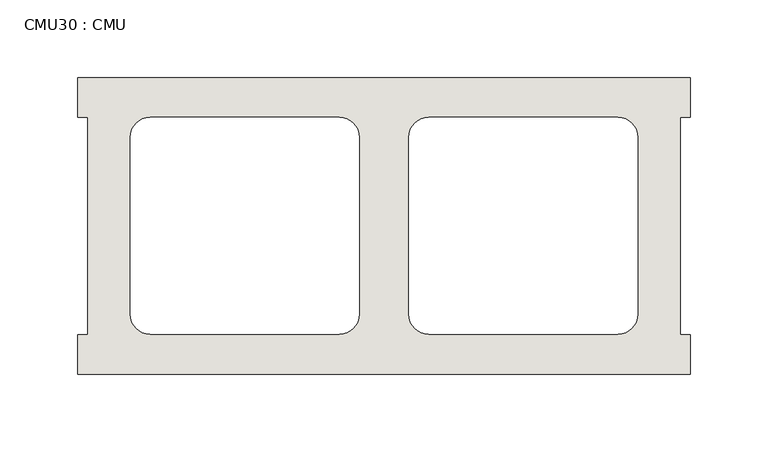
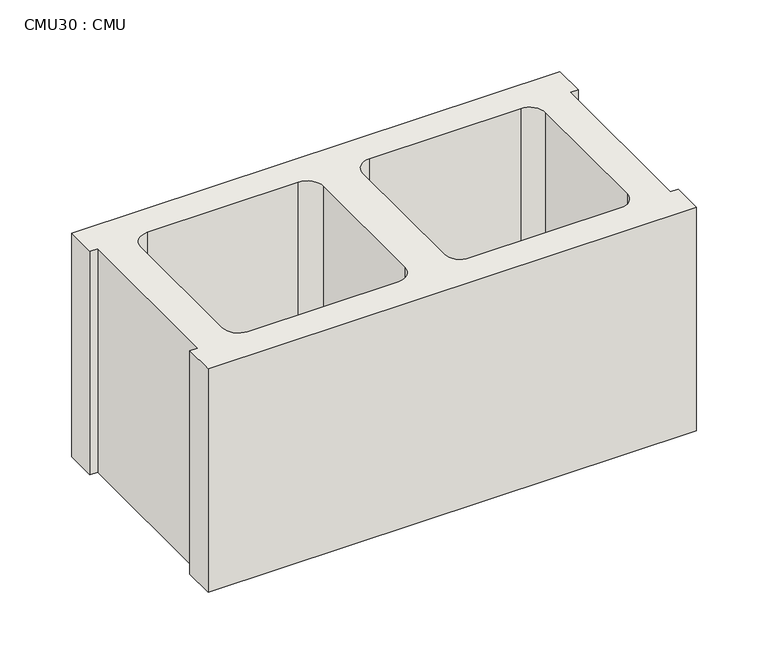
"""IFC4 building model written with IfcOpenShell, lengths in millimetres: wall geometry, CMU30 : CMU."""

from ifc_helpers import new_model, si_unit, point, frame_2d, origin, origin_with_axes, place, context, project, spatial, polyline, circle_curve, trimmed, segment, composite_curve, outline, extrude, source, transform, mapped, element, save


def cmu30_cmu_df29c2fb(model_context):
    return source(origin(), model_context, "Body", "SweptSolid", [
        extrude(outline(polyline([(164.8060968, 2871.3003704), (558.5060968, 2871.3003704), (558.5060968, 2845.9003704), (552.1560968, 2845.9003704), (552.1560968, 2706.2003704), (558.5060968, 2706.2003704), (558.5060968, 2680.8003704), (164.8060968, 2680.8003704), (164.8060968, 2706.2003704), (171.1560968, 2706.2003704), (171.1560968, 2845.9003704), (164.8060968, 2845.9003704), (164.8060968, 2871.3003704)]), holes=[composite_curve([segment(polyline([(332.9740955, 2845.9003704), (211.2574454, 2845.9003704)]), True, "CONTINUOUS"), segment(trimmed(circle_curve(frame_2d((211.2574454, 2833.2003704)), 12.7), [point((211.2574454, 2845.9003704))], [point((198.5574454, 2833.2003704))], True, "CARTESIAN"), True, "CONTINUOUS"), segment(polyline([(198.5574454, 2833.2003704), (198.5574454, 2719.1345307)]), True, "CONTINUOUS"), segment(trimmed(circle_curve(frame_2d((211.2574454, 2719.1345307)), 12.7), [point((198.5574454, 2719.1345307))], [point((211.2574454, 2706.4345307))], True, "CARTESIAN"), True, "CONTINUOUS"), segment(polyline([(211.2574454, 2706.4345307), (332.9740955, 2706.4345307)]), True, "CONTINUOUS"), segment(trimmed(circle_curve(frame_2d((332.9740955, 2719.1345307)), 12.7), [point((332.9740955, 2706.4345307))], [point((345.6740955, 2719.1345307))], True, "CARTESIAN"), True, "CONTINUOUS"), segment(polyline([(345.6740955, 2719.1345307), (345.6740955, 2833.2003704)]), True, "CONTINUOUS"), segment(trimmed(circle_curve(frame_2d((332.9740955, 2833.2003704)), 12.7), [point((345.6740955, 2833.2003704))], [point((332.9740955, 2845.9003704))], True, "CARTESIAN"), True, "CONTINUOUS")], self_intersect=False), composite_curve([segment(trimmed(circle_curve(frame_2d((390.3380982, 2833.2003704)), 12.7), [point((390.3380982, 2845.9003704))], [point((377.6380982, 2833.2003704))], True, "CARTESIAN"), True, "CONTINUOUS"), segment(polyline([(377.6380982, 2833.2003704), (377.6380982, 2719.1345307)]), True, "CONTINUOUS"), segment(trimmed(circle_curve(frame_2d((390.3380982, 2719.1345307)), 12.7), [point((377.6380982, 2719.1345307))], [point((390.3380982, 2706.4345307))], True, "CARTESIAN"), True, "CONTINUOUS"), segment(polyline([(390.3380982, 2706.4345307), (512.0547483, 2706.4345307)]), True, "CONTINUOUS"), segment(trimmed(circle_curve(frame_2d((512.0547483, 2719.1345307)), 12.7), [point((512.0547483, 2706.4345307))], [point((524.7547483, 2719.1345307))], True, "CARTESIAN"), True, "CONTINUOUS"), segment(polyline([(524.7547483, 2719.1345307), (524.7547483, 2833.2003704)]), True, "CONTINUOUS"), segment(trimmed(circle_curve(frame_2d((512.0547483, 2833.2003704)), 12.7), [point((524.7547483, 2833.2003704))], [point((512.0547483, 2845.9003704))], True, "CARTESIAN"), True, "CONTINUOUS"), segment(polyline([(512.0547483, 2845.9003704), (390.3380982, 2845.9003704)]), True, "CONTINUOUS")], self_intersect=False)]), origin_with_axes(), (0.0, 0.0, 1.0), 190.5),
    ])


if __name__ == "__main__":
    model = new_model("IFC4")
    model_context = context("Model", 3, world=origin())
    ifc_project = project(units=[si_unit("LENGTHUNIT", "METRE", prefix="MILLI")], contexts=[model_context])
    site = spatial("IfcSite", under=ifc_project)
    building = spatial("IfcBuilding", under=site)
    placement = place(None, origin())
    cmu30_cmu_shape = cmu30_cmu_df29c2fb(model_context)
    element("IfcWall", 1, ObjectType="CMU30 : CMU", at=placement, inside=building, context=model_context, shape_type="MappedRepresentation", body=[
        mapped(cmu30_cmu_shape, transform((0.0, 0.0, 0.0), x_axis=(1.0, 0.0, 0.0), y_axis=(0.0, 1.0, 0.0), z_axis=(0.0, 0.0, 1.0))),
    ])
    save(model, "model.ifc")
